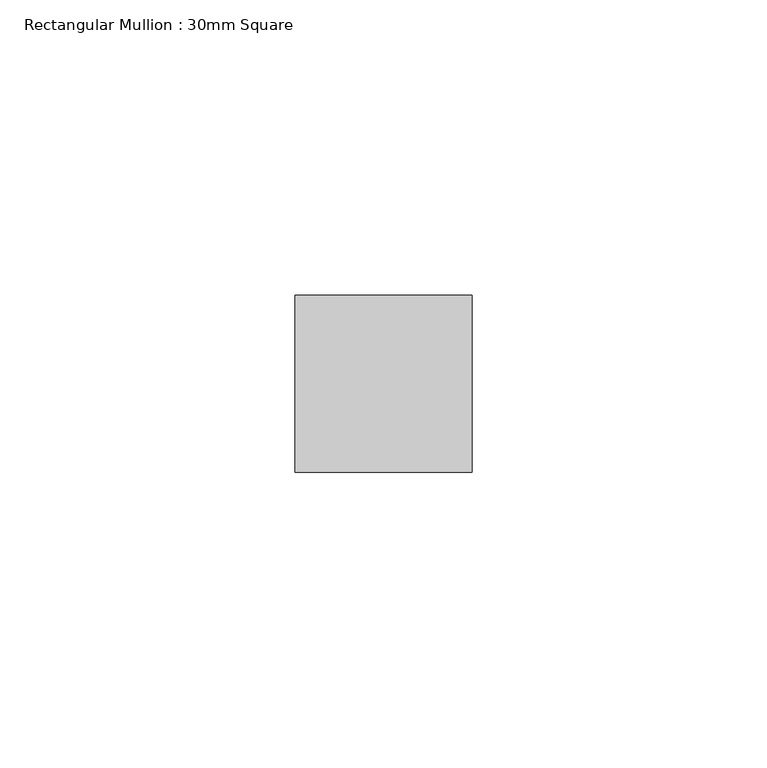
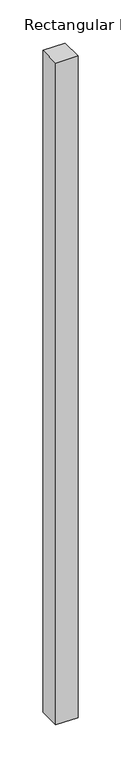
"""IFC4 building model written with IfcOpenShell, lengths in millimetres: member geometry, Rectangular Mullion : 30mm Square."""

from ifc_helpers import new_model, si_unit, frame, origin, place, context, project, spatial, polyline, outline, extrude, source, transform, mapped, element, save


def rectangular_mullion_30mm_square_f3bcfb3e(model_context):
    return source(origin(), model_context, "Body", "SweptSolid", [
        extrude(outline(polyline([(15.0, 15.0), (15.0, -15.0), (-15.0, -15.0), (-15.0, 15.0), (15.0, 15.0)])), frame((0.0, 0.0, -939.2373173), z_axis=(0.0, 0.0, 1.0), x_axis=(1.0, 0.0, 0.0)), (0.0, 0.0, 1.0), 939.2373173),
    ])


if __name__ == "__main__":
    model = new_model("IFC4")
    model_context = context("Model", 3, world=origin())
    ifc_project = project(units=[si_unit("LENGTHUNIT", "METRE", prefix="MILLI")], contexts=[model_context])
    site = spatial("IfcSite", under=ifc_project)
    building = spatial("IfcBuilding", under=site)
    placement = place(None, origin())
    rectangular_mullion_30mm_square_shape = rectangular_mullion_30mm_square_f3bcfb3e(model_context)
    element("IfcMember", 1, ObjectType="Rectangular Mullion : 30mm Square", at=placement, inside=building, context=model_context, shape_type="MappedRepresentation", body=[
        mapped(rectangular_mullion_30mm_square_shape, transform((0.0, 0.0, 0.0), x_axis=(1.0, 0.0, 0.0), y_axis=(0.0, 1.0, 0.0), z_axis=(0.0, 0.0, 1.0))),
    ])
    save(model, "model.ifc")
